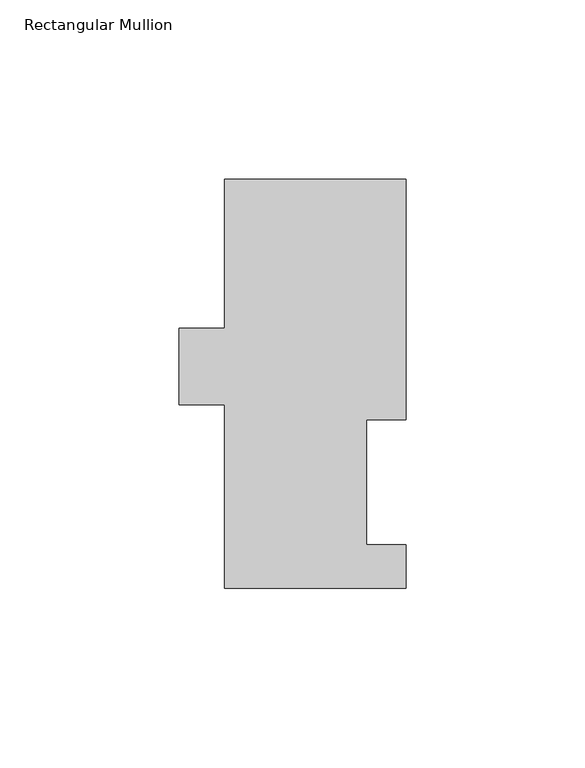
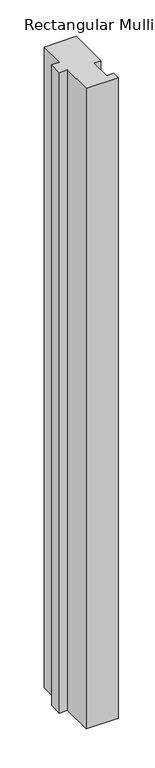
"""IFC4 building model written with IfcOpenShell, lengths in millimetres: member geometry, Rectangular Mullion."""

from ifc_helpers import new_model, si_unit, frame, origin, place, context, project, spatial, polyline, outline, extrude, source, transform, mapped, element, save


def rectangular_mullion_fd868496(model_context):
    return source(origin(), model_context, "Body", "SweptSolid", [
        extrude(outline(polyline([(-25.4, 114.252375), (25.4, 114.252375), (25.4, 47.069375), (14.2875, 47.069375), (14.2875, 12.144375), (25.4, 12.144375), (25.4, -0.047625), (-25.4, -0.047625), (-25.4, 51.158775), (-38.1, 51.158775), (-38.1, 72.545575), (-25.4, 72.545575), (-25.4, 114.252375)])), frame((0.0, 0.0, -1073.15), z_axis=(0.0, 0.0, 1.0), x_axis=(1.0, 0.0, 0.0)), (0.0, 0.0, 1.0), 1073.15),
    ])


if __name__ == "__main__":
    model = new_model("IFC4")
    model_context = context("Model", 3, world=origin())
    ifc_project = project(units=[si_unit("LENGTHUNIT", "METRE", prefix="MILLI")], contexts=[model_context])
    site = spatial("IfcSite", under=ifc_project)
    building = spatial("IfcBuilding", under=site)
    placement = place(None, origin())
    rectangular_mullion_shape = rectangular_mullion_fd868496(model_context)
    element("IfcMember", 1, ObjectType="Rectangular Mullion", at=placement, inside=building, context=model_context, shape_type="MappedRepresentation", body=[
        mapped(rectangular_mullion_shape, transform((0.0, 0.0, 0.0), x_axis=(1.0, 0.0, 0.0), y_axis=(0.0, 1.0, 0.0), z_axis=(0.0, 0.0, 1.0))),
    ])
    save(model, "model.ifc")
